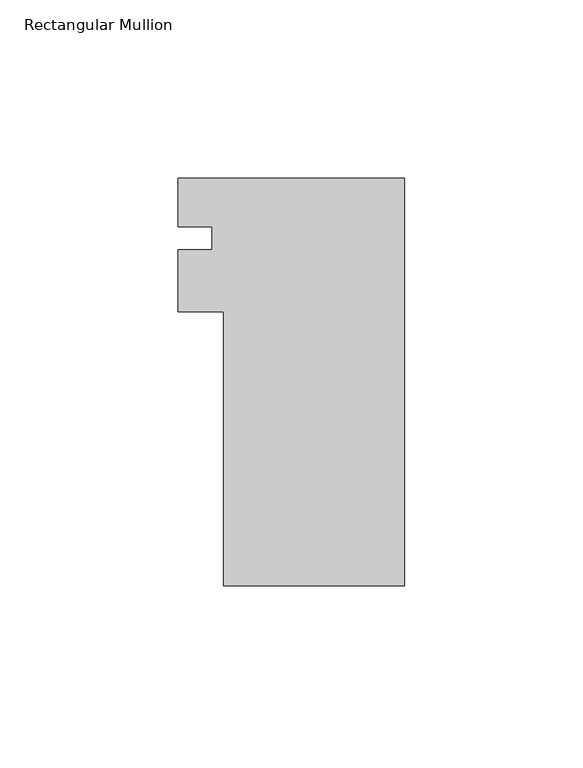
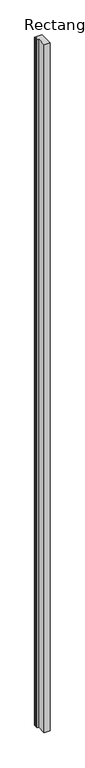
"""IFC4 building model written with IfcOpenShell, lengths in millimetres: member geometry, Rectangular Mullion."""

from ifc_helpers import new_model, si_unit, frame, origin, place, context, project, spatial, polyline, outline, extrude, source, transform, mapped, element, save


def rectangular_mullion_e4563367(model_context):
    return source(origin(), model_context, "Body", "SweptSolid", [
        extrude(outline(polyline([(-50.8, -57.15), (-50.8, 19.685), (-63.4999959, 19.685), (-63.4999959, 37.1830989), (-53.9749959, 37.1830989), (-53.9749959, 43.4975), (-63.4999959, 43.4975), (-63.4999959, 57.15), (0.0, 57.15), (0.0, -57.15), (-50.8, -57.15)])), frame((0.0, 0.0, -6096.0), z_axis=(0.0, 0.0, 1.0), x_axis=(1.0, 0.0, 0.0)), (0.0, 0.0, 1.0), 6096.0),
    ])


if __name__ == "__main__":
    model = new_model("IFC4")
    model_context = context("Model", 3, world=origin())
    ifc_project = project(units=[si_unit("LENGTHUNIT", "METRE", prefix="MILLI")], contexts=[model_context])
    site = spatial("IfcSite", under=ifc_project)
    building = spatial("IfcBuilding", under=site)
    placement = place(None, origin())
    rectangular_mullion_shape = rectangular_mullion_e4563367(model_context)
    element("IfcMember", 1, ObjectType="Rectangular Mullion", at=placement, inside=building, context=model_context, shape_type="MappedRepresentation", body=[
        mapped(rectangular_mullion_shape, transform((0.0, 0.0, 0.0), x_axis=(1.0, 0.0, 0.0), y_axis=(0.0, 1.0, 0.0), z_axis=(0.0, 0.0, 1.0))),
    ])
    save(model, "model.ifc")
